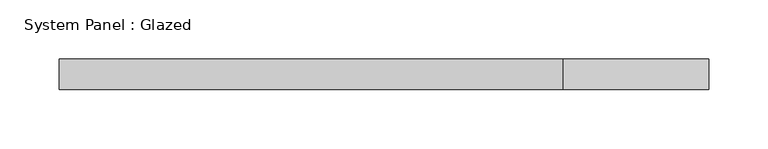
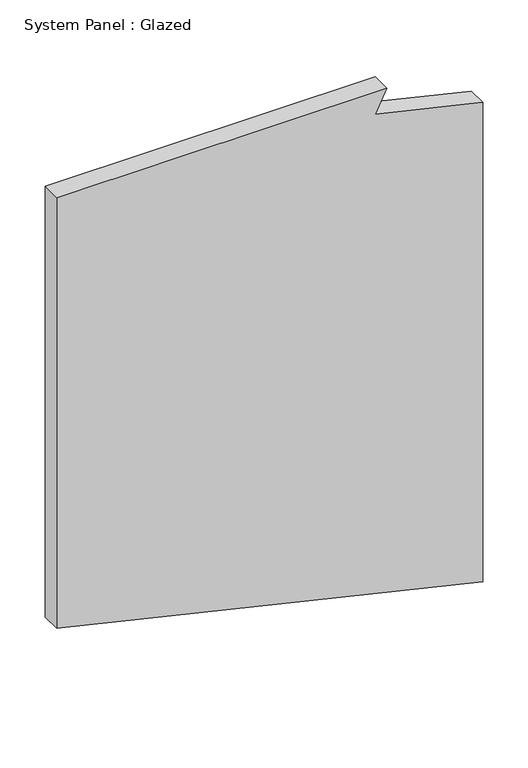
"""IFC4 building model written with IfcOpenShell, lengths in millimetres: plate geometry, System Panel : Glazed."""

from ifc_helpers import new_model, si_unit, frame, origin, place, context, project, spatial, polyline, outline, extrude, source, transform, mapped, element, save


def system_panel_glazed_6613c814(model_context):
    return source(origin(), model_context, "Body", "SweptSolid", [
        extrude(outline(polyline([(127.9402857, -273.05), (0.0, 273.05), (649.3301003, 273.05), (681.6445261, 135.6536363), (711.7079333, 150.1916103), (711.7079333, -273.05), (127.9402857, -273.05)])), frame((0.0, 19.05, 0.0), z_axis=(0.0, 1.0, 0.0), x_axis=(0.0, 0.0, 1.0)), (0.0, 0.0, 1.0), 25.4),
    ])


if __name__ == "__main__":
    model = new_model("IFC4")
    model_context = context("Model", 3, world=origin())
    ifc_project = project(units=[si_unit("LENGTHUNIT", "METRE", prefix="MILLI")], contexts=[model_context])
    site = spatial("IfcSite", under=ifc_project)
    building = spatial("IfcBuilding", under=site)
    placement = place(None, origin())
    system_panel_glazed_shape = system_panel_glazed_6613c814(model_context)
    element("IfcPlate", 1, ObjectType="System Panel : Glazed", at=placement, inside=building, context=model_context, shape_type="MappedRepresentation", body=[
        mapped(system_panel_glazed_shape, transform((0.0, 0.0, 0.0), x_axis=(1.0, 0.0, 0.0), y_axis=(0.0, 1.0, 0.0), z_axis=(0.0, 0.0, 1.0))),
    ])
    save(model, "model.ifc")
